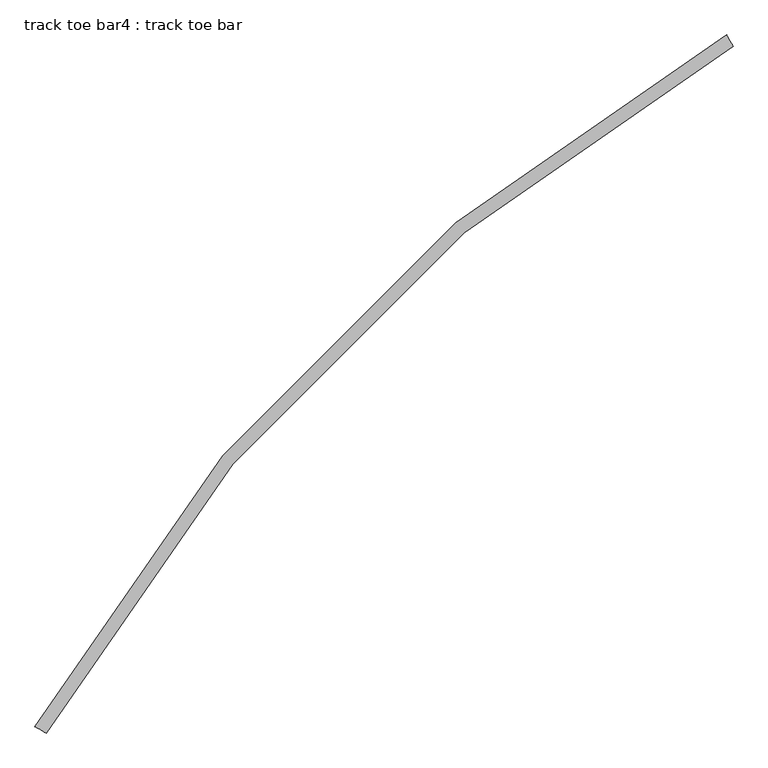
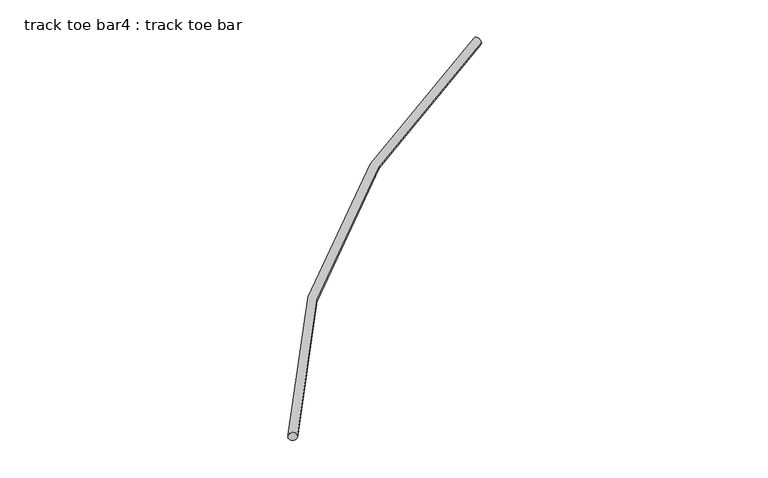
"""IFC4 building model written with IfcOpenShell, lengths in millimetres: proxy geometry, track toe bar4 : track toe bar."""

from ifc_helpers import new_model, si_unit, point, frame, origin, place, context, project, spatial, circle_curve, ellipse_curve, trimmed, source, transform, mapped, element, save
from ifc_brep_helpers import plane_surface, revolved_surface, advanced_brep


def track_toe_bar4_track_toe_bar_1c29eadb(model_context):
    return source(origin(), model_context, "Body", "AdvancedBrep", [
        advanced_brep(
        [(489686.8531663, -254708.1429059, 4855.8150744), (489753.112354, -254745.774808, 4855.8150744), (493689.901925, -250705.0941472, 4855.8150744), (493727.5338271, -250771.3533348, 4855.8150744)],
        [
            (0, 1, circle_curve(frame((489719.9827602, -254726.9588569, 4855.8150744), z_axis=(-0.493856982949613, -0.8695431446408542, 0.0), x_axis=(0.8695431446408542, -0.493856982949613, 0.0)), 38.1)),
            (1, 0, circle_curve(frame((489719.9827602, -254726.9588569, 4855.8150744), z_axis=(-0.493856982949613, -0.8695431446408542, 0.0), x_axis=(0.8695431446408542, -0.493856982949613, 0.0)), 38.1)),
            (2, 3, circle_curve(frame((493708.7178761, -250738.223741, 4855.8150744), z_axis=(0.8695431446408399, 0.49385698294963837, 0.0), x_axis=(0.49385698294963837, -0.8695431446408399, 0.0)), 38.1)),
            (3, 2, circle_curve(frame((493708.7178761, -250738.223741, 4855.8150744), z_axis=(0.8695431446408399, 0.49385698294963837, 0.0), x_axis=(0.49385698294963837, -0.8695431446408399, 0.0)), 38.1)),
            (2, 0, circle_curve(frame((498952.0962355, -259970.3372163, 4855.8150744), z_axis=(0.0, 0.0, 1.0), x_axis=(-0.8695431446408542, 0.49385698294961305, 0.0)), 10655.3)),
            (1, 3, circle_curve(frame((498952.0962355, -259970.3372163, 4855.8150744), z_axis=(0.0, 0.0, -1.0), x_axis=(-0.8695431446408542, 0.49385698294961305, 0.0)), 10579.1)),
        ],
        [
            plane_surface(frame((489719.9827602, -254726.9588569, 4927.6), z_axis=(-0.493856982949613, -0.8695431446408542, 0.0), x_axis=(0.0, 0.0, 1.0))),
            plane_surface(frame((493708.7178761, -250738.223741, 4927.6), z_axis=(0.86954314464084, 0.4938569829496383, 0.0), x_axis=(0.0, 0.0, 1.0))),
            revolved_surface(trimmed(ellipse_curve(frame((489719.9827602, -254726.9588569, 4855.8150744), z_axis=(-0.493856982949613, -0.8695431446408542, 0.0), x_axis=(0.8695431446408542, -0.493856982949613, 0.0)), 38.1, 38.1), [point((489753.112354, -254745.774808, 4855.8150744))], [point((489686.8531663, -254708.1429059, 4855.8150744))], True, "CARTESIAN"), (498952.0962355, -259970.3372163, 4927.6), (0.0, 0.0, -1.0)),
            revolved_surface(trimmed(ellipse_curve(frame((489719.9827602, -254726.9588569, 4855.8150744), z_axis=(-0.493856982949613, -0.8695431446408542, 0.0), x_axis=(0.8695431446408542, -0.493856982949613, 0.0)), 38.1, 38.1), [point((489686.8531663, -254708.1429059, 4855.8150744))], [point((489753.112354, -254745.774808, 4855.8150744))], True, "CARTESIAN"), (498952.0962355, -259970.3372163, 4927.6), (0.0, 0.0, -1.0)),
        ],
        [
            (0, [[1, 2]]),
            (1, [[3, 4]]),
            (2, [[5, -2, 6, -3]]),
            (3, [[-6, -1, -5, -4]]),
        ],
    ),
    ])


if __name__ == "__main__":
    model = new_model("IFC4")
    model_context = context("Model", 3, world=origin())
    ifc_project = project(units=[si_unit("LENGTHUNIT", "METRE", prefix="MILLI")], contexts=[model_context])
    site = spatial("IfcSite", under=ifc_project)
    building = spatial("IfcBuilding", under=site)
    placement = place(None, origin())
    track_toe_bar4_track_toe_bar_shape = track_toe_bar4_track_toe_bar_1c29eadb(model_context)
    element("IfcBuildingElementProxy", 1, Name="track toe bar4 : track toe bar", ObjectType="track toe bar4 : track toe bar", at=placement, inside=building, context=model_context, shape_type="MappedRepresentation", body=[
        mapped(track_toe_bar4_track_toe_bar_shape, transform((0.0, 0.0, 0.0), x_axis=(1.0, 0.0, 0.0), y_axis=(0.0, 1.0, 0.0), z_axis=(0.0, 0.0, 1.0))),
    ])
    save(model, "model.ifc")
